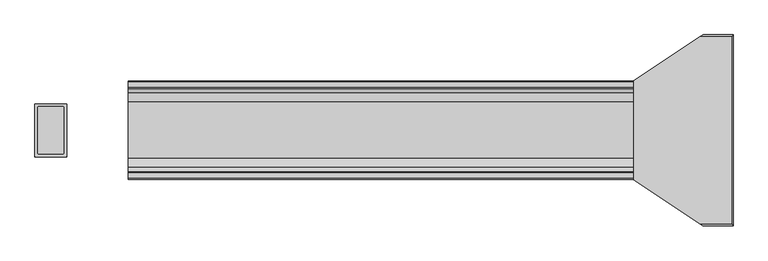
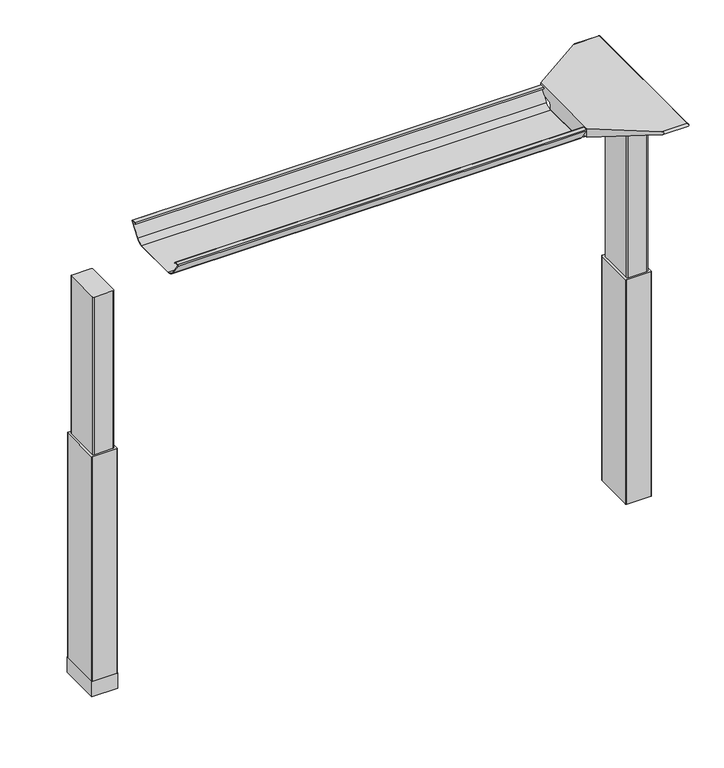
"""IFC4 building model written with IfcOpenShell, lengths in millimetres: furniture geometry."""

from ifc_helpers import new_model, si_unit, point, frame, frame_2d, origin, place, context, project, spatial, polyline, circle_curve, ellipse_curve, trimmed, segment, composite_curve, outline, extrude, source, transform, mapped, element, save
from ifc_brep_helpers import plane_surface, cylinder_surface, revolved_surface, advanced_brep


def furniture_d384720d(model_context):
    return source(origin(), model_context, "Body", "SolidModel", [
        advanced_brep(
        [(489.5122138, 162.7292702, 988.7915733), (655.2406297, 162.7292702, 988.7915733), (652.7518591, 160.5008169, 986.1442785), (503.8924181, 160.5008169, 986.1442785), (478.0501644, 162.8754397, 992.6310191), (477.9075093, 162.9531058, 994.6710821), (475.2619573, 163.0290018, 996.6646485), (475.2619573, 163.3822827, 1005.9443054), (657.8619089, 163.3822827, 1005.9443054), (655.4625278, 162.738256, 989.0276054), (475.2619573, 168.8493181, 1011.9839076), (658.7185362, 168.8493181, 1011.9839076), (475.2619573, 202.6089953, 1017.2209321), (597.0570453, 283.4205225, 1029.7569507), (661.2393767, 283.4205225, 1029.7569507), (661.3128152, 287.1965275, 1030.2747243), (602.7480509, 287.1965275, 1030.2747243), (661.9871296, 288.7067839, 1035.0289399), (601.1404665, 286.1298888, 1037.209), (660.2021288, 286.1298888, 1037.209), (661.3128152, -68.7565275, 1030.2747243), (661.9871296, -70.2667839, 1035.0289399), (660.2021288, -67.6898888, 1037.209), (601.1404665, -67.6898888, 1037.209), (602.7480509, -68.7565275, 1030.2747243), (661.2393767, -64.9805225, 1029.7569507), (597.0570453, -64.9805225, 1029.7569507), (475.2619573, 49.5906819, 1011.9839076), (658.7185362, 49.5906819, 1011.9839076), (475.2619573, 15.8310047, 1017.2209321), (475.2619573, 55.0577173, 1005.9443054), (657.8619089, 55.0577173, 1005.9443054), (475.2619573, 55.4109982, 996.6646485), (477.9075093, 55.4868942, 994.6710821), (478.0501644, 55.5645603, 992.6310191), (489.5122138, 55.7107298, 988.7915733), (655.2406297, 55.7107298, 988.7915733), (655.4625278, 55.701744, 989.0276054), (503.8924181, 57.9391831, 986.1442785), (652.7518591, 57.9391831, 986.1442785), (475.2619573, 202.6089953, 1037.209), (475.2619573, 15.8310047, 1037.209)],
        [
            (0, 1),
            (1, 2),
            (2, 3),
            (3, 0, ellipse_curve(frame((513.7936465, 239.7670009, 1080.3086722), z_axis=(0.0, 0.7650318638532565, -0.6439924279750596), x_axis=(0.0, -0.6439924279750596, -0.7650318638532564)), 123.7641411, 94.6835116)),
            (0, 4, ellipse_curve(frame((513.7936465, 166.2133686, 1080.3086722), z_axis=(0.0, 0.9992761066836392, -0.03804290487315862), x_axis=(0.0, -0.03804290487315623, -0.9992761066836393)), 94.752102, 94.6835116)),
            (4, 5),
            (5, 6),
            (6, 7),
            (7, 8),
            (8, 9),
            (9, 1),
            (7, 10, circle_curve(frame((475.2619573, 169.8408409, 1005.5922075), z_axis=(-1.0, 0.0, 0.0), x_axis=(0.0, 1.0, 0.0)), 6.4681487)),
            (10, 11),
            (11, 8, ellipse_curve(frame((657.8119691, 169.8408409, 1005.5922075), z_axis=(0.9900906714849659, 0.0, -0.1404295632637567), x_axis=(-0.1404295632637562, 0.0, -0.9900906714849659)), 6.5328852, 6.4681487)),
            (10, 12),
            (12, 13),
            (13, 14),
            (14, 11),
            (15, 14),
            (13, 16),
            (16, 15),
            (17, 15, ellipse_curve(frame((661.7730772, 285.2194111, 1033.5197755), z_axis=(-0.9900906714849659, 0.0, 0.1404295632637567), x_axis=(0.1404295632637562, 0.0, 0.9900906714849659)), 3.8379455, 3.7999141)),
            (16, 18, ellipse_curve(frame((599.76824, 285.2194111, 1033.5197755), z_axis=(0.552874393629504, -0.8332646067539461, 0.0), x_axis=(0.8332646067539461, 0.5528743936295041, 0.0)), 6.8730151, 3.7999141)),
            (18, 19),
            (19, 17, ellipse_curve(frame((663.222811, 285.2194111, 1033.5197755), z_axis=(-0.7737284588399557, 0.0, -0.633517380962154), x_axis=(0.6335173809621538, 0.0, -0.7737284588399556)), 4.9111727, 3.7999141)),
            (20, 21, ellipse_curve(frame((661.7730772, -66.7794111, 1033.5197755), z_axis=(-0.9900906714849659, 0.0, 0.1404295632637567), x_axis=(0.1404295632637562, 0.0, 0.9900906714849659)), 3.8379455, 3.7999141)),
            (21, 22, ellipse_curve(frame((663.222811, -66.7794111, 1033.5197755), z_axis=(-0.7737284588399557, 0.0, -0.633517380962154), x_axis=(0.6335173809621538, 0.0, -0.7737284588399556)), 4.9111727, 3.7999141)),
            (22, 23),
            (23, 24, ellipse_curve(frame((599.76824, -66.7794111, 1033.5197755), z_axis=(0.5528743936294838, 0.8332646067539595, 0.0), x_axis=(0.8332646067539594, -0.5528743936294838, 0.0)), 6.8730151, 3.7999141)),
            (24, 20),
            (25, 20),
            (24, 26),
            (26, 25),
            (27, 28),
            (28, 25),
            (26, 29),
            (29, 27),
            (27, 30, circle_curve(frame((475.2619573, 48.5991591, 1005.5922075), z_axis=(-1.0, 0.0, 0.0), x_axis=(0.0, 1.0, 0.0)), 6.4681487)),
            (30, 31),
            (31, 28, ellipse_curve(frame((657.8119691, 48.5991591, 1005.5922075), z_axis=(0.9900906714849659, 0.0, -0.1404295632637567), x_axis=(-0.1404295632637562, 0.0, -0.9900906714849659)), 6.5328852, 6.4681487)),
            (30, 32),
            (32, 33),
            (33, 34),
            (34, 35, ellipse_curve(frame((513.7936465, 52.2266314, 1080.3086722), z_axis=(0.0, -0.9992761066836363, -0.03804290487323539), x_axis=(0.0, -0.03804290487323121, 0.9992761066836364)), 94.752102, 94.6835116)),
            (35, 36),
            (36, 37),
            (37, 31),
            (35, 38, ellipse_curve(frame((513.7936465, -21.3270009, 1080.3086722), z_axis=(0.0, -0.7650318638534733, -0.643992427974802), x_axis=(0.0, -0.643992427974802, 0.7650318638534732)), 123.7641411, 94.6835116)),
            (38, 39),
            (39, 36),
            (37, 9),
            (17, 21),
            (19, 22),
            (18, 40),
            (40, 41),
            (41, 23),
            (6, 32),
            (29, 41),
            (40, 12),
            (5, 33),
            (4, 34),
            (3, 38),
            (2, 39),
        ],
        [
            plane_surface(frame((475.2619573, 160.5008169, 986.1442785), z_axis=(0.0, 0.7650318638532565, -0.6439924279750596), x_axis=(1.0, 0.0, 0.0))),
            plane_surface(frame((475.2619573, 162.7292702, 988.7915733), z_axis=(0.0, 0.9992761066836392, -0.03804290487315862), x_axis=(1.0, 0.0, 0.0))),
            revolved_surface(polyline([(475.2619573, 176.3089896, 1005.5922075), (658.7293793154884, 176.3089896, 1005.5922075)]), (475.2619573, 169.8408409, 1005.5922075), (-1.0, 0.0, 0.0)),
            plane_surface(frame((475.2619573, 168.8493181, 1011.9839076), z_axis=(0.0, 0.15329313587140309, -0.988180760030629), x_axis=(1.0, 0.0, 0.0))),
            plane_surface(frame((475.2619573, 283.4205225, 1029.7569507), z_axis=(0.0, 0.1358508546900816, -0.9907292996979419), x_axis=(1.0, 0.0, 0.0))),
            cylinder_surface(frame((475.2619573, 285.2194111, 1033.5197755), z_axis=(1.0, 0.0, 0.0), x_axis=(0.0, 1.0, 0.0)), 3.7999141),
            cylinder_surface(frame((475.2619573, -66.7794111, 1033.5197755), z_axis=(1.0, 0.0, 0.0), x_axis=(0.0, 1.0, 0.0)), 3.7999141),
            plane_surface(frame((475.2619573, -68.7565275, 1030.2747243), z_axis=(0.0, -0.1358508546877776, -0.9907292996982578), x_axis=(1.0, 0.0, 0.0))),
            plane_surface(frame((475.2619573, -64.9805225, 1029.7569507), z_axis=(0.0, -0.15329313587141113, -0.9881807600306277), x_axis=(1.0, 0.0, 0.0))),
            revolved_surface(polyline([(475.2619573, 55.0673078, 1005.5922075), (658.7293793154884, 55.0673078, 1005.5922075)]), (475.2619573, 48.5991591, 1005.5922075), (-1.0, 0.0, 0.0)),
            plane_surface(frame((475.2619573, 55.0577173, 1005.9443054), z_axis=(0.0, -0.9992761066836363, -0.03804290487323539), x_axis=(1.0, 0.0, 0.0))),
            plane_surface(frame((475.2619573, 55.7107298, 988.7915733), z_axis=(0.0, -0.7650318638534733, -0.643992427974802), x_axis=(1.0, 0.0, 0.0))),
            plane_surface(frame((655.4625278, -81.28, 989.0276054), z_axis=(0.9900906714849659, 0.0, -0.1404295632637567), x_axis=(0.0, 1.0, 0.0))),
            plane_surface(frame((661.9871296, -81.28, 1035.0289399), z_axis=(0.7737284588399557, 0.0, 0.633517380962154), x_axis=(0.0, 1.0, 0.0))),
            plane_surface(frame((660.2021288, -81.28, 1037.209), z_axis=(0.0, 0.0, 1.0), x_axis=(0.0, 1.0, 0.0))),
            plane_surface(frame((475.2619573, -81.28, 1037.209), z_axis=(-1.0, 0.0, 0.0), x_axis=(0.0, 1.0, 0.0))),
            plane_surface(frame((475.2619573, -81.28, 996.6646485), z_axis=(-0.6018150231540728, 0.0, -0.7986355100457674), x_axis=(0.0, 1.0, 0.0))),
            plane_surface(frame((477.9075093, -81.28, 994.6710821), z_axis=(-0.9975640502598242, 0.0, -0.06975647374412697), x_axis=(0.0, 1.0, 0.0))),
            cylinder_surface(frame((513.7936465, -81.28, 1080.3086722), z_axis=(0.0, -1.0, 0.0), x_axis=(-1.0, 0.0, 0.0)), 94.6835116),
            plane_surface(frame((503.8924181, -81.28, 986.1442785), z_axis=(0.0, 0.0, -1.0), x_axis=(0.0, 1.0, 0.0))),
            plane_surface(frame((652.7518591, -81.28, 986.1442785), z_axis=(0.7285846064222696, 0.0, -0.6849558170309284), x_axis=(0.0, 1.0, 0.0))),
            plane_surface(frame((475.2619573, 202.6089953, 1037.209), z_axis=(-0.552874393629504, 0.8332646067539461, 0.0), x_axis=(0.0, 0.0, -1.0))),
            plane_surface(frame((621.6228017, -81.28, 1037.209), z_axis=(-0.5528743936294838, -0.8332646067539595, 0.0), x_axis=(0.0, 0.0, -1.0))),
        ],
        [
            (0, [[1, 2, 3, 4]]),
            (1, [[-1, 5, 6, 7, 8, 9, 10, 11]]),
            (2, [[-9, 12, 13, 14]]),
            (3, [[-13, 15, 16, 17, 18]]),
            (4, [[19, -17, 20, 21]]),
            (5, [[22, -21, 23, 24, 25]]),
            (6, [[26, 27, 28, 29, 30]]),
            (7, [[31, -30, 32, 33]]),
            (8, [[34, 35, -33, 36, 37]]),
            (9, [[-34, 38, 39, 40]]),
            (10, [[-39, 41, 42, 43, 44, 45, 46, 47]]),
            (11, [[-45, 48, 49, 50]]),
            (12, [[51, -10, -14, -18, -19, -22, 52, -26, -31, -35, -40, -47]]),
            (13, [[-52, -25, 53, -27]]),
            (14, [[-53, -24, 54, 55, 56, -28]]),
            (15, [[57, -41, -38, -37, 58, -55, 59, -15, -12, -8]]),
            (16, [[-57, -7, 60, -42]]),
            (17, [[-60, -6, 61, -43]]),
            (18, [[-61, -5, -4, 62, -48, -44]]),
            (19, [[-62, -3, 63, -49]]),
            (20, [[-51, -46, -50, -63, -2, -11]]),
            (21, [[-54, -23, -20, -16, -59]]),
            (22, [[-56, -58, -36, -32, -29]]),
        ],
    ),
        advanced_brep(
        [(-475.0773962, 187.9031697, 1031.9794894), (-475.0773962, 189.6675242, 1034.2075511), (-475.0773962, 200.6481225, 1034.2075511), (-475.0773962, 201.3782919, 1031.6093085), (-475.0773962, 179.9519108, 1002.0462148), (-475.0773962, 162.5510914, 993.4452863), (-475.0773962, 55.7632156, 993.4452863), (-475.0773962, 38.1354217, 1002.4997482), (-475.0773962, 16.8007138, 1032.2706054), (-475.0773962, 18.4392766, 1034.3266572), (-475.0773962, 28.6544098, 1034.3266572), (-475.0773962, 30.5253848, 1031.9794894), (-475.0773962, 29.7841637, 1031.4423822), (-475.0773962, 28.2139363, 1033.4122572), (-475.0773962, 18.5353238, 1033.4122572), (-475.0773962, 17.7294351, 1032.5444366), (-475.0773962, 38.8786744, 1003.0323858), (-475.0773962, 55.7632156, 994.3598536), (-475.0773962, 162.5510914, 994.3596863), (-475.0773962, 179.21844, 1002.5923713), (-475.0773962, 200.5721627, 1032.0552144), (-475.0773962, 200.3148942, 1033.2931511), (-475.0773962, 190.109809, 1033.2931511), (-475.0773962, 188.6442719, 1031.4424419), (475.2619573, 187.9031697, 1031.9794894), (475.2619573, 188.6442719, 1031.4424419), (475.2619573, 190.109809, 1033.2931511), (475.2619573, 200.3148942, 1033.2931511), (475.2619573, 200.5721627, 1032.0552144), (475.2619573, 179.21844, 1002.5923713), (475.2619573, 162.5510914, 994.3596863), (475.2619573, 55.7632155, 994.3596863), (475.2619573, 38.8786744, 1003.0323858), (475.2619573, 17.7294351, 1032.5444366), (475.2619573, 18.5353238, 1033.4122572), (475.2619573, 28.2139363, 1033.4122572), (475.2619573, 29.7841637, 1031.4423822), (475.2619573, 30.5253848, 1031.9794894), (475.2619573, 28.6544098, 1034.3266572), (475.2619573, 18.4392766, 1034.3266572), (475.2619573, 16.8007138, 1032.2706054), (475.2619573, 38.1354217, 1002.4997482), (475.2619573, 55.7632156, 993.4454536), (475.2619573, 162.5510914, 993.4452863), (475.2619573, 179.9519108, 1002.0462148), (475.2619573, 201.3782919, 1031.6093085), (475.2619573, 200.6481225, 1034.2075511), (475.2619573, 189.6675242, 1034.2075511)],
        [
            (0, 1),
            (1, 2),
            (2, 3, circle_curve(frame((-475.0773962, 199.4305576, 1032.4636667), z_axis=(-1.0, 0.0, 0.0), x_axis=(0.0, 1.0, 0.0)), 2.1268749)),
            (3, 4),
            (4, 5, circle_curve(frame((-475.0773962, 162.5510914, 1015.3478336), z_axis=(-1.0, 0.0, 0.0), x_axis=(0.0, 1.0, 0.0)), 21.9025472)),
            (5, 6),
            (6, 7, circle_curve(frame((-475.0773962, 55.7632156, 1015.132365), z_axis=(-1.0, 0.0, 0.0), x_axis=(0.0, 1.0, 0.0)), 21.6869114)),
            (7, 8),
            (8, 9, circle_curve(frame((-475.0773962, 18.8010635, 1032.3573833), z_axis=(-1.0, 0.0, 0.0), x_axis=(0.0, 1.0, 0.0)), 2.0022311)),
            (9, 10),
            (10, 11),
            (11, 12),
            (12, 13),
            (13, 14),
            (14, 15, circle_curve(frame((-475.0773962, 18.8010635, 1032.3573833), z_axis=(1.0, 0.0, 0.0), x_axis=(0.0, 1.0, 0.0)), 1.0878311)),
            (15, 16),
            (16, 17, circle_curve(frame((-475.0773962, 55.7632156, 1015.132365), z_axis=(1.0, 0.0, 0.0), x_axis=(0.0, 1.0, 0.0)), 20.7725114)),
            (17, 18),
            (18, 19, circle_curve(frame((-475.0773962, 162.5510914, 1015.3478336), z_axis=(1.0, 0.0, 0.0), x_axis=(0.0, 1.0, 0.0)), 20.9881473)),
            (19, 20),
            (20, 21, circle_curve(frame((-475.0773962, 199.4305576, 1032.4636667), z_axis=(1.0, 0.0, 0.0), x_axis=(0.0, 1.0, 0.0)), 1.2124749)),
            (21, 22),
            (22, 23),
            (23, 0),
            (24, 25),
            (25, 26),
            (26, 27),
            (27, 28, circle_curve(frame((475.2619573, 199.4305576, 1032.4636667), z_axis=(-1.0, 0.0, 0.0), x_axis=(0.0, 1.0, 0.0)), 1.2124749)),
            (28, 29),
            (29, 30, circle_curve(frame((475.2619573, 162.5510914, 1015.3478336), z_axis=(-1.0, 0.0, 0.0), x_axis=(0.0, 1.0, 0.0)), 20.9881473)),
            (30, 31),
            (31, 32, circle_curve(frame((475.2619573, 55.7632156, 1015.132365), z_axis=(-1.0, 0.0, 0.0), x_axis=(0.0, 1.0, 0.0)), 20.7725114)),
            (32, 33),
            (33, 34, circle_curve(frame((475.2619573, 18.8010635, 1032.3573833), z_axis=(-1.0, 0.0, 0.0), x_axis=(0.0, 1.0, 0.0)), 1.0878311)),
            (34, 35),
            (35, 36),
            (36, 37),
            (37, 38),
            (38, 39),
            (39, 40, circle_curve(frame((475.2619573, 18.8010635, 1032.3573833), z_axis=(1.0, 0.0, 0.0), x_axis=(0.0, 1.0, 0.0)), 2.0022311)),
            (40, 41),
            (41, 42, circle_curve(frame((475.2619573, 55.7632156, 1015.132365), z_axis=(1.0, 0.0, 0.0), x_axis=(0.0, 1.0, 0.0)), 21.6869114)),
            (42, 43),
            (43, 44, circle_curve(frame((475.2619573, 162.5510914, 1015.3478336), z_axis=(1.0, 0.0, 0.0), x_axis=(0.0, 1.0, 0.0)), 21.9025472)),
            (44, 45),
            (45, 46, circle_curve(frame((475.2619573, 199.4305576, 1032.4636667), z_axis=(1.0, 0.0, 0.0), x_axis=(0.0, 1.0, 0.0)), 2.1268749)),
            (46, 47),
            (47, 24),
            (0, 24),
            (47, 1),
            (46, 2),
            (45, 3),
            (44, 4),
            (43, 5),
            (42, 6),
            (41, 7),
            (40, 8),
            (39, 9),
            (38, 10),
            (37, 11),
            (36, 12),
            (35, 13),
            (34, 14),
            (33, 15),
            (32, 16),
            (31, 17),
            (30, 18),
            (29, 19),
            (28, 20),
            (27, 21),
            (26, 22),
            (25, 23),
        ],
        [
            plane_surface(frame((-475.0773962, 109.22, 1037.209), z_axis=(-1.0, 0.0, 0.0), x_axis=(0.0, 0.0, 1.0))),
            plane_surface(frame((475.2619573, 109.22, 1037.209), z_axis=(1.0, 0.0, 0.0), x_axis=(0.0, 0.0, 1.0))),
            plane_surface(frame((-475.0773962, 187.9031697, 1031.9794894), z_axis=(0.0, -0.7839649337165058, 0.6208051084703434), x_axis=(1.0, 0.0, 0.0))),
            plane_surface(frame((-475.0773962, 189.6675242, 1034.2075511), z_axis=(0.0, 0.0, 1.0), x_axis=(1.0, 0.0, 0.0))),
            cylinder_surface(frame((-475.0773962, 199.4305576, 1032.4636667), z_axis=(-1.0, 0.0, 0.0), x_axis=(0.0, 1.0, 0.0)), 2.1268749),
            plane_surface(frame((-475.0773962, 201.3782919, 1031.6093085), z_axis=(0.0, 0.8096997445281038, -0.586844377762217), x_axis=(1.0, 0.0, 0.0))),
            cylinder_surface(frame((-475.0773962, 162.5510914, 1015.3478336), z_axis=(-1.0, 0.0, 0.0), x_axis=(0.0, 1.0, 0.0)), 21.9025472),
            plane_surface(frame((-475.0773962, 162.5510914, 993.4452863), z_axis=(0.0, 0.0, -1.0), x_axis=(1.0, 0.0, 0.0))),
            cylinder_surface(frame((-475.0773962, 55.7632156, 1015.132365), z_axis=(-1.0, 0.0, 0.0), x_axis=(0.0, 1.0, 0.0)), 21.6869114),
            plane_surface(frame((-475.0773962, 38.1354217, 1002.4997482), z_axis=(0.0, -0.8128309997561537, -0.5824995844079305), x_axis=(1.0, 0.0, 0.0))),
            cylinder_surface(frame((-475.0773962, 18.8010635, 1032.3573833), z_axis=(-1.0, 0.0, 0.0), x_axis=(0.0, 1.0, 0.0)), 2.0022311),
            plane_surface(frame((-475.0773962, 18.4392766, 1034.3266572), z_axis=(0.0, 0.0, 1.0), x_axis=(1.0, 0.0, 0.0))),
            plane_surface(frame((-475.0773962, 28.6544098, 1034.3266572), z_axis=(0.0, 0.7819660587237972, 0.6233210112004657), x_axis=(1.0, 0.0, 0.0))),
            plane_surface(frame((-475.0773962, 30.5253848, 1031.9794894), z_axis=(0.0, 0.5867684336468096, -0.8097547809526473), x_axis=(1.0, 0.0, 0.0))),
            plane_surface(frame((-475.0773962, 29.7841637, 1031.4423822), z_axis=(0.0, -0.7819660587239206, -0.6233210112003109), x_axis=(1.0, 0.0, 0.0))),
            plane_surface(frame((-475.0773962, 28.2139363, 1033.4122572), z_axis=(0.0, 0.0, -1.0), x_axis=(1.0, 0.0, 0.0))),
            revolved_surface(polyline([(475.2619573, 19.8888946, 1032.3573833), (-475.0773962, 19.8888946, 1032.3573833)]), (-475.0773962, 18.8010635, 1032.3573833), (1.0, 0.0, 0.0)),
            plane_surface(frame((-475.0773962, 17.7294351, 1032.5444366), z_axis=(0.0, 0.8128309996716102, 0.582499584525904), x_axis=(1.0, 0.0, 0.0))),
            revolved_surface(polyline([(475.2619573, 76.53572700000001, 1015.132365), (-475.0773962, 76.53572700000001, 1015.132365)]), (-475.0773962, 55.7632156, 1015.132365), (1.0, 0.0, 0.0)),
            plane_surface(frame((-475.0773962, 55.7632155, 994.3596863), z_axis=(0.0, 0.0, 1.0), x_axis=(1.0, 0.0, 0.0))),
            revolved_surface(polyline([(475.2619573, 183.5392387, 1015.3478336), (-475.0773962, 183.5392387, 1015.3478336)]), (-475.0773962, 162.5510914, 1015.3478336), (1.0, 0.0, 0.0)),
            plane_surface(frame((-475.0773962, 179.21844, 1002.5923713), z_axis=(0.0, -0.8096997449536107, 0.5868443771751228), x_axis=(1.0, 0.0, 0.0))),
            revolved_surface(polyline([(475.2619573, 200.64303249999998, 1032.4636667), (-475.0773962, 200.64303249999998, 1032.4636667)]), (-475.0773962, 199.4305576, 1032.4636667), (1.0, 0.0, 0.0)),
            plane_surface(frame((-475.0773962, 200.3148942, 1033.2931511), z_axis=(0.0, 0.0, -1.0), x_axis=(1.0, 0.0, 0.0))),
            plane_surface(frame((-475.0773962, 190.109809, 1033.2931511), z_axis=(0.0, 0.7839649337164979, -0.6208051084703533), x_axis=(1.0, 0.0, 0.0))),
            plane_surface(frame((-475.0773962, 188.6442719, 1031.4424419), z_axis=(0.0, -0.5867873637752554, -0.8097410633737715), x_axis=(1.0, 0.0, 0.0))),
        ],
        [
            (0, [[1, 2, 3, 4, 5, 6, 7, 8, 9, 10, 11, 12, 13, 14, 15, 16, 17, 18, 19, 20, 21, 22, 23, 24]]),
            (1, [[25, 26, 27, 28, 29, 30, 31, 32, 33, 34, 35, 36, 37, 38, 39, 40, 41, 42, 43, 44, 45, 46, 47, 48]]),
            (2, [[-1, 49, -48, 50]]),
            (3, [[-2, -50, -47, 51]]),
            (4, [[-3, -51, -46, 52]]),
            (5, [[-4, -52, -45, 53]]),
            (6, [[-5, -53, -44, 54]]),
            (7, [[-6, -54, -43, 55]]),
            (8, [[-7, -55, -42, 56]]),
            (9, [[-8, -56, -41, 57]]),
            (10, [[-9, -57, -40, 58]]),
            (11, [[-10, -58, -39, 59]]),
            (12, [[-11, -59, -38, 60]]),
            (13, [[-12, -60, -37, 61]]),
            (14, [[-13, -61, -36, 62]]),
            (15, [[-14, -62, -35, 63]]),
            (16, [[-15, -63, -34, 64]]),
            (17, [[-16, -64, -33, 65]]),
            (18, [[-17, -65, -32, 66]]),
            (19, [[-18, -66, -31, 67]]),
            (20, [[-19, -67, -30, 68]]),
            (21, [[-20, -68, -29, 69]]),
            (22, [[-21, -69, -28, 70]]),
            (23, [[-22, -70, -27, 71]]),
            (24, [[-23, -71, -26, 72]]),
            (25, [[-24, -72, -25, -49]]),
        ],
    ),
        advanced_brep(
        [(598.8283088, 153.9682497, 986.1442785), (596.0624028, 151.6150111, 986.1442785), (596.0624028, 66.8413858, 986.1442785), (599.1159671, 64.491987, 986.1442785), (642.4299922, 64.4717503, 986.1442785), (645.4895972, 66.8414936, 986.1442785), (645.4895972, 151.6150956, 986.1442785), (642.7236912, 153.9682497, 986.1442785), (598.8283088, 153.9682497, 599.0990058), (642.7236912, 153.9682497, 599.0990058), (645.4895972, 151.6150956, 599.0990058), (645.4895972, 66.8414936, 599.0990058), (642.4360098, 64.4919923, 599.0990058), (599.1220078, 64.4717503, 599.0990058), (596.0624028, 66.8413858, 599.0990058), (596.0624028, 151.6150111, 599.0990058)],
        [
            (0, 1, circle_curve(frame((599.1300788, 150.8114719, 986.1442785), z_axis=(0.0, 0.0, 1.0), x_axis=(1.0, 0.0, 0.0)), 3.1711688)),
            (1, 2),
            (2, 3, circle_curve(frame((599.1159671, 67.651078, 986.1442785), z_axis=(0.0, 0.0, 1.0), x_axis=(1.0, 0.0, 0.0)), 3.1590911)),
            (3, 4),
            (4, 5, circle_curve(frame((642.4360098, 67.651078, 986.1442785), z_axis=(0.0, 0.0, 1.0), x_axis=(1.0, 0.0, 0.0)), 3.1590858)),
            (5, 6),
            (6, 7, circle_curve(frame((642.4219439, 150.8114698, 986.1442785), z_axis=(0.0, 0.0, 1.0), x_axis=(1.0, 0.0, 0.0)), 3.1711687)),
            (7, 0),
            (8, 9),
            (9, 10, circle_curve(frame((642.4219439, 150.8114698, 599.0990058), z_axis=(0.0, 0.0, -1.0), x_axis=(1.0, 0.0, 0.0)), 3.1711687)),
            (10, 11),
            (11, 12, circle_curve(frame((642.4360098, 67.651078, 599.0990058), z_axis=(0.0, 0.0, -1.0), x_axis=(1.0, 0.0, 0.0)), 3.1590858)),
            (12, 13),
            (13, 14, circle_curve(frame((599.1159671, 67.651078, 599.0990058), z_axis=(0.0, 0.0, -1.0), x_axis=(1.0, 0.0, 0.0)), 3.1590911)),
            (14, 15),
            (15, 8, circle_curve(frame((599.1300788, 150.8114719, 599.0990058), z_axis=(0.0, 0.0, -1.0), x_axis=(1.0, 0.0, 0.0)), 3.1711688)),
            (7, 9),
            (8, 0),
            (6, 10),
            (5, 11),
            (4, 12),
            (3, 13),
            (2, 14),
            (1, 15),
        ],
        [
            plane_surface(frame((602.3012476, 150.8114719, 986.1442785), z_axis=(0.0, 0.0, 1.0), x_axis=(0.0, 1.0, 0.0))),
            plane_surface(frame((602.3012476, 150.8114719, 599.0990058), z_axis=(0.0, 0.0, -1.0), x_axis=(0.0, -1.0, 0.0))),
            plane_surface(frame((642.7236912, 153.9682497, 986.1442785), z_axis=(0.0, 1.0, 0.0), x_axis=(0.0, 0.0, -1.0))),
            cylinder_surface(frame((642.4219439, 150.8114698, 599.0990058), z_axis=(0.0, 0.0, 1.0), x_axis=(1.0, 0.0, 0.0)), 3.1711687),
            plane_surface(frame((645.4895972, 66.8414936, 986.1442785), z_axis=(1.0, 0.0, 0.0), x_axis=(0.0, 0.0, -1.0))),
            cylinder_surface(frame((642.4360098, 67.651078, 599.0990058), z_axis=(0.0, 0.0, 1.0), x_axis=(1.0, 0.0, 0.0)), 3.1590858),
            plane_surface(frame((599.1220078, 64.4717503, 986.1442785), z_axis=(0.0, -1.0, 0.0), x_axis=(0.0, 0.0, -1.0))),
            cylinder_surface(frame((599.1159671, 67.651078, 599.0990058), z_axis=(0.0, 0.0, 1.0), x_axis=(1.0, 0.0, 0.0)), 3.1590911),
            plane_surface(frame((596.0624028, 151.6150111, 986.1442785), z_axis=(-1.0, 0.0, 0.0), x_axis=(0.0, 0.0, -1.0))),
            cylinder_surface(frame((599.1300788, 150.8114719, 599.0990058), z_axis=(0.0, 0.0, 1.0), x_axis=(1.0, 0.0, 0.0)), 3.1711688),
        ],
        [
            (0, [[1, 2, 3, 4, 5, 6, 7, 8]]),
            (1, [[9, 10, 11, 12, 13, 14, 15, 16]]),
            (2, [[-8, 17, -9, 18]]),
            (3, [[-7, 19, -10, -17]]),
            (4, [[-6, 20, -11, -19]]),
            (5, [[-5, 21, -12, -20]]),
            (6, [[-4, 22, -13, -21]]),
            (7, [[-3, 23, -14, -22]]),
            (8, [[-2, 24, -15, -23]]),
            (9, [[-1, -18, -16, -24]]),
        ],
    ),
        advanced_brep(
        [(-598.8283088, 153.9682497, 986.1442785), (-642.7236912, 153.9682497, 986.1442785), (-645.4806448, 151.6485241, 986.1442785), (-645.4806448, 66.8084508, 986.1442785), (-642.4360098, 64.4919923, 986.1442785), (-599.1220078, 64.4717503, 986.1442785), (-596.0713552, 66.8083475, 986.1442785), (-596.0713552, 151.6484433, 986.1442785), (-598.8283088, 153.9682497, 599.0990058), (-596.0713552, 151.6484433, 599.0990058), (-596.0713552, 66.8083475, 599.0990058), (-599.1159671, 64.491987, 599.0990058), (-642.4299922, 64.4717503, 599.0990058), (-645.4806448, 66.8084508, 599.0990058), (-645.4806448, 151.6485241, 599.0990058), (-642.7236912, 153.9682497, 599.0990058)],
        [
            (0, 1),
            (1, 2, circle_curve(frame((-642.4219439, 150.8114698, 986.1442785), z_axis=(0.0, 0.0, 1.0), x_axis=(-1.0, 0.0, 0.0)), 3.1711687)),
            (2, 3),
            (3, 4, circle_curve(frame((-642.4360098, 67.651078, 986.1442785), z_axis=(0.0, 0.0, 1.0), x_axis=(-1.0, 0.0, 0.0)), 3.1590858)),
            (4, 5),
            (5, 6, circle_curve(frame((-599.1159671, 67.6510781, 986.1442785), z_axis=(0.0, 0.0, 1.0), x_axis=(-1.0, 0.0, 0.0)), 3.1590911)),
            (6, 7),
            (7, 0, circle_curve(frame((-599.1300788, 150.8114719, 986.1442785), z_axis=(0.0, 0.0, 1.0), x_axis=(-1.0, 0.0, 0.0)), 3.1711688)),
            (8, 9, circle_curve(frame((-599.1300788, 150.8114719, 599.0990058), z_axis=(0.0, 0.0, -1.0), x_axis=(-1.0, 0.0, 0.0)), 3.1711688)),
            (9, 10),
            (10, 11, circle_curve(frame((-599.1159671, 67.6510781, 599.0990058), z_axis=(0.0, 0.0, -1.0), x_axis=(-1.0, 0.0, 0.0)), 3.1590911)),
            (11, 12),
            (12, 13, circle_curve(frame((-642.4360098, 67.651078, 599.0990058), z_axis=(0.0, 0.0, -1.0), x_axis=(-1.0, 0.0, 0.0)), 3.1590858)),
            (13, 14),
            (14, 15, circle_curve(frame((-642.4219439, 150.8114698, 599.0990058), z_axis=(0.0, 0.0, -1.0), x_axis=(-1.0, 0.0, 0.0)), 3.1711687)),
            (15, 8),
            (0, 8),
            (15, 1),
            (14, 2),
            (13, 3),
            (12, 4),
            (11, 5),
            (10, 6),
            (9, 7),
        ],
        [
            plane_surface(frame((-642.7236912, 153.9682497, 986.1442785), z_axis=(0.0, 0.0, 1.0), x_axis=(-1.0, 0.0, 0.0))),
            plane_surface(frame((-642.7236912, 153.9682497, 599.0990058), z_axis=(0.0, 0.0, -1.0), x_axis=(1.0, 0.0, 0.0))),
            plane_surface(frame((-598.8283088, 153.9682497, 986.1442785), z_axis=(0.0, 1.0, 0.0), x_axis=(0.0, 0.0, -1.0))),
            cylinder_surface(frame((-642.4219439, 150.8114698, 599.0990058), z_axis=(0.0, 0.0, 1.0), x_axis=(-1.0, 0.0, 0.0)), 3.1711687),
            plane_surface(frame((-645.4806448, 151.6485241, 986.1442785), z_axis=(-1.0, 0.0, 0.0), x_axis=(0.0, 0.0, -1.0))),
            cylinder_surface(frame((-642.4360098, 67.651078, 599.0990058), z_axis=(0.0, 0.0, 1.0), x_axis=(-1.0, 0.0, 0.0)), 3.1590858),
            plane_surface(frame((-642.4299922, 64.4717503, 986.1442785), z_axis=(0.0, -1.0, 0.0), x_axis=(0.0, 0.0, -1.0))),
            cylinder_surface(frame((-599.1159671, 67.6510781, 599.0990058), z_axis=(0.0, 0.0, 1.0), x_axis=(-1.0, 0.0, 0.0)), 3.1590911),
            plane_surface(frame((-596.0713552, 66.8083475, 986.1442785), z_axis=(1.0, 1.0880989920699695e-12, 0.0), x_axis=(0.0, 0.0, -1.0))),
            cylinder_surface(frame((-599.1300788, 150.8114719, 599.0990058), z_axis=(0.0, 0.0, 1.0), x_axis=(-1.0, 0.0, 0.0)), 3.1711688),
        ],
        [
            (0, [[1, 2, 3, 4, 5, 6, 7, 8]]),
            (1, [[9, 10, 11, 12, 13, 14, 15, 16]]),
            (2, [[-1, 17, -16, 18]]),
            (3, [[-2, -18, -15, 19]]),
            (4, [[-3, -19, -14, 20]]),
            (5, [[-4, -20, -13, 21]]),
            (6, [[-5, -21, -12, 22]]),
            (7, [[-6, -22, -11, 23]]),
            (8, [[-7, -23, -10, 24]]),
            (9, [[-8, -24, -9, -17]]),
        ],
    ),
        extrude(outline(composite_curve([segment(trimmed(circle_curve(frame_2d((-593.116092, 156.945908)), 2.248592), [point((-593.116092, 159.1945))], [point((-590.8675, 156.945908))], False, "CARTESIAN"), True, "CONTINUOUS"), segment(polyline([(-590.8675, 156.945908), (-590.8675, 61.4941469)]), True, "CONTINUOUS"), segment(trimmed(circle_curve(frame_2d((-593.1161469, 61.4941469)), 2.2486469), [point((-590.8675, 61.4941469))], [point((-593.1161469, 59.2455))], False, "CARTESIAN"), True, "CONTINUOUS"), segment(polyline([(-593.1161469, 59.2455), (-648.435908, 59.2455)]), True, "CONTINUOUS"), segment(trimmed(circle_curve(frame_2d((-648.435908, 61.494092)), 2.248592), [point((-648.435908, 59.2455))], [point((-650.6845, 61.494092))], False, "CARTESIAN"), True, "CONTINUOUS"), segment(polyline([(-650.6845, 61.494092), (-650.6845, 156.945908)]), True, "CONTINUOUS"), segment(trimmed(circle_curve(frame_2d((-648.435908, 156.945908)), 2.248592), [point((-650.6845, 156.945908))], [point((-648.435908, 159.1945))], False, "CARTESIAN"), True, "CONTINUOUS"), segment(polyline([(-648.435908, 159.1945), (-593.116092, 159.1945)]), True, "CONTINUOUS")], self_intersect=False)), frame((0.0, 0.0, 48.1000573), z_axis=(0.0, 0.0, 1.0), x_axis=(1.0, 0.0, 0.0)), (0.0, 0.0, 1.0), 550.9989485),
        advanced_brep(
        [(-620.776, 127.2221653, 10.2361894), (-620.776, 141.2419153, 10.2361894), (-620.776, 140.8547401, 8.7946116), (-620.776, 127.6093405, 8.7946116), (-620.776, 134.2320403, 10.2361894), (-620.776, 113.2751519, 0.0), (-620.776, 155.1889286, 0.0), (-620.776, 134.2320403, 0.0), (-620.776, 111.7314216, 1.5436985), (-620.776, 156.732659, 1.5436985), (-620.776, 111.7314763, 4.1072626), (-620.776, 156.7326043, 4.1072626), (-620.776, 113.2713167, 5.9174378), (-620.776, 155.1927639, 5.9174378)],
        [
            (0, 1, circle_curve(frame((-620.776, 134.2320403, 10.2361894), z_axis=(0.0, 0.0, -1.0), x_axis=(0.0, 1.0, 0.0)), 7.009875)),
            (1, 2),
            (2, 3, circle_curve(frame((-620.776, 134.2320403, 8.7946116), z_axis=(0.0, 0.0, 1.0), x_axis=(0.0, 1.0, 0.0)), 6.6226998)),
            (3, 0),
            (1, 0, circle_curve(frame((-620.776, 134.2320403, 10.2361894), z_axis=(0.0, 0.0, -1.0), x_axis=(0.0, 1.0, 0.0)), 7.009875)),
            (3, 2, circle_curve(frame((-620.776, 134.2320403, 8.7946116), z_axis=(0.0, 0.0, 1.0), x_axis=(0.0, 1.0, 0.0)), 6.6226998)),
            (4, 1),
            (0, 4),
            (5, 6, circle_curve(frame((-620.776, 134.2320403, 0.0), z_axis=(0.0, 0.0, -1.0), x_axis=(0.0, 1.0, 0.0)), 20.9568884)),
            (6, 7),
            (7, 5),
            (6, 5, circle_curve(frame((-620.776, 134.2320403, 0.0), z_axis=(0.0, 0.0, -1.0), x_axis=(0.0, 1.0, 0.0)), 20.9568884)),
            (8, 9, circle_curve(frame((-620.776, 134.2320403, 1.5436985), z_axis=(0.0, 0.0, -1.0), x_axis=(0.0, 1.0, 0.0)), 22.5006187)),
            (9, 6),
            (5, 8),
            (9, 8, circle_curve(frame((-620.776, 134.2320403, 1.5436985), z_axis=(0.0, 0.0, -1.0), x_axis=(0.0, 1.0, 0.0)), 22.5006187)),
            (10, 11, circle_curve(frame((-620.776, 134.2320403, 4.1072626), z_axis=(0.0, 0.0, -1.0), x_axis=(0.0, 1.0, 0.0)), 22.500564)),
            (11, 9),
            (8, 10),
            (11, 10, circle_curve(frame((-620.776, 134.2320403, 4.1072626), z_axis=(0.0, 0.0, -1.0), x_axis=(0.0, 1.0, 0.0)), 22.500564)),
            (12, 13, circle_curve(frame((-620.776, 134.2320403, 5.9174378), z_axis=(0.0, 0.0, -1.0), x_axis=(0.0, 1.0, 0.0)), 20.9607236)),
            (13, 11),
            (10, 12),
            (13, 12, circle_curve(frame((-620.776, 134.2320403, 5.9174378), z_axis=(0.0, 0.0, -1.0), x_axis=(0.0, 1.0, 0.0)), 20.9607236)),
            (2, 13),
            (12, 3),
        ],
        [
            revolved_surface(polyline([(-620.776, 140.8547401, 8.7946116), (-620.776, 141.2419153, 10.2361894)]), (-620.776, 134.2320403, 0.0), (0.0, 0.0, 1.0)),
            plane_surface(frame((-620.776, 134.2320403, 10.2361894), z_axis=(0.0, 0.0, 1.0), x_axis=(0.0, 1.0, 0.0))),
            plane_surface(frame((-620.776, 134.2320403, 0.0), z_axis=(0.0, 0.0, -1.0), x_axis=(0.0, 1.0, 0.0))),
            revolved_surface(polyline([(-620.776, 155.1889286, 0.0), (-620.776, 156.732659, 1.5436985)]), (-620.776, 134.2320403, 0.0), (0.0, 0.0, 1.0)),
            cylinder_surface(frame((-620.776, 134.2320403, 0.0), z_axis=(0.0, 0.0, 1.0), x_axis=(0.0, 1.0, 0.0)), 22.500564),
            revolved_surface(polyline([(-620.776, 156.7327498, 4.1072626), (-620.776, 155.1927639, 5.9174378)]), (-620.776, 134.2320403, 0.0), (0.0, 0.0, 1.0)),
            revolved_surface(polyline([(-620.776, 155.1927639, 5.9174378), (-620.776, 140.8547401, 8.7946116)]), (-620.776, 134.2320403, 0.0), (0.0, 0.0, 1.0)),
        ],
        [
            (0, [[1, 2, 3, 4]]),
            (0, [[5, -4, 6, -2]]),
            (1, [[7, -1, 8]]),
            (1, [[-8, -5, -7]]),
            (2, [[9, 10, 11]]),
            (2, [[12, -11, -10]]),
            (3, [[13, 14, -9, 15]]),
            (3, [[16, -15, -12, -14]]),
            (4, [[17, 18, -13, 19]]),
            (4, [[20, -19, -16, -18]]),
            (5, [[21, 22, -17, 23]]),
            (5, [[24, -23, -20, -22]]),
            (6, [[-3, 25, -21, 26]]),
            (6, [[-6, -26, -24, -25]]),
        ],
    ),
        extrude(outline(polyline([(-590.8675, 158.9882127), (-590.8675, 59.6052169), (-650.6845, 59.6052169), (-650.6845, 158.9882127), (-590.8675, 158.9882127)])), frame((0.0, 0.0, 10.2361894), z_axis=(0.0, 0.0, 1.0), x_axis=(1.0, 0.0, 0.0)), (0.0, 0.0, 1.0), 37.8638679),
        extrude(outline(composite_curve([segment(trimmed(circle_curve(frame_2d((648.3521079, 156.8621079)), 2.3323921), [point((648.3521079, 159.1945))], [point((650.6845, 156.8621079))], False, "CARTESIAN"), True, "CONTINUOUS"), segment(polyline([(650.6845, 156.8621079), (650.6845, 61.5778921)]), True, "CONTINUOUS"), segment(trimmed(circle_curve(frame_2d((648.3521079, 61.5778921)), 2.3323921), [point((650.6845, 61.5778921))], [point((648.3521079, 59.2455))], False, "CARTESIAN"), True, "CONTINUOUS"), segment(polyline([(648.3521079, 59.2455), (593.1998921, 59.2455)]), True, "CONTINUOUS"), segment(trimmed(circle_curve(frame_2d((593.1998921, 61.5778921)), 2.3323921), [point((593.1998921, 59.2455))], [point((590.8675, 61.5778921))], False, "CARTESIAN"), True, "CONTINUOUS"), segment(polyline([(590.8675, 61.5778921), (590.8675, 156.8621079)]), True, "CONTINUOUS"), segment(trimmed(circle_curve(frame_2d((593.1998921, 156.8621079)), 2.3323921), [point((590.8675, 156.8621079))], [point((593.1998921, 159.1945))], False, "CARTESIAN"), True, "CONTINUOUS"), segment(polyline([(593.1998921, 159.1945), (648.3521079, 159.1945)]), True, "CONTINUOUS")], self_intersect=False)), frame((0.0, 0.0, 48.1000573), z_axis=(0.0, 0.0, 1.0), x_axis=(1.0, 0.0, 0.0)), (0.0, 0.0, 1.0), 550.9989485),
    ])


if __name__ == "__main__":
    model = new_model("IFC4")
    model_context = context("Model", 3, world=origin())
    ifc_project = project(units=[si_unit("LENGTHUNIT", "METRE", prefix="MILLI")], contexts=[model_context])
    site = spatial("IfcSite", under=ifc_project)
    building = spatial("IfcBuilding", under=site)
    placement = place(None, origin())
    furniture_shape = furniture_d384720d(model_context)
    element("IfcFurniture", 1, at=placement, inside=building, context=model_context, shape_type="MappedRepresentation", body=[
        mapped(furniture_shape, transform((0.0, 0.0, 0.0), x_axis=(1.0, 0.0, 0.0), y_axis=(0.0, 1.0, 0.0), z_axis=(0.0, 0.0, 1.0))),
    ])
    save(model, "model.ifc")
